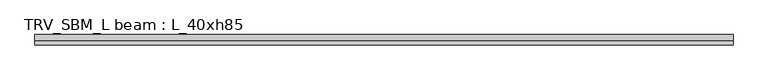
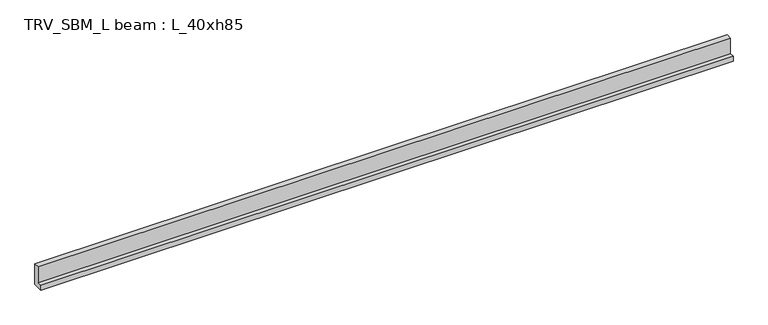
"""IFC4 building model written with IfcOpenShell, lengths in millimetres: beam geometry, TRV_SBM_L beam : L_40xh85."""

from ifc_helpers import new_model, si_unit, frame, origin, place, context, project, spatial, polyline, outline, extrude, source, transform, mapped, element, save


def trv_sbm_l_beam_l_40xh85_f7d83923(model_context):
    return source(origin(), model_context, "Body", "SweptSolid", [
        extrude(outline(polyline([(115.0, -100.0), (-285.0, -100.0), (-285.0, 100.0), (-105.0, 100.0), (-105.0, 750.0), (115.0, 750.0), (115.0, -100.0)])), frame((-13546.0978387, 0.0, 0.0), z_axis=(1.0, 0.0, 0.0), x_axis=(0.0, 1.0, 0.0)), (0.0, 0.0, 1.0), 27081.5978387),
    ])


if __name__ == "__main__":
    model = new_model("IFC4")
    model_context = context("Model", 3, world=origin())
    ifc_project = project(units=[si_unit("LENGTHUNIT", "METRE", prefix="MILLI")], contexts=[model_context])
    site = spatial("IfcSite", under=ifc_project)
    building = spatial("IfcBuilding", under=site)
    placement = place(None, origin())
    trv_sbm_l_beam_l_40xh85_shape = trv_sbm_l_beam_l_40xh85_f7d83923(model_context)
    element("IfcBeam", 1, ObjectType="TRV_SBM_L beam : L_40xh85", at=placement, inside=building, context=model_context, shape_type="MappedRepresentation", body=[
        mapped(trv_sbm_l_beam_l_40xh85_shape, transform((0.0, 0.0, 0.0), x_axis=(1.0, 0.0, 0.0), y_axis=(0.0, 1.0, 0.0), z_axis=(0.0, 0.0, 1.0))),
    ])
    save(model, "model.ifc")
